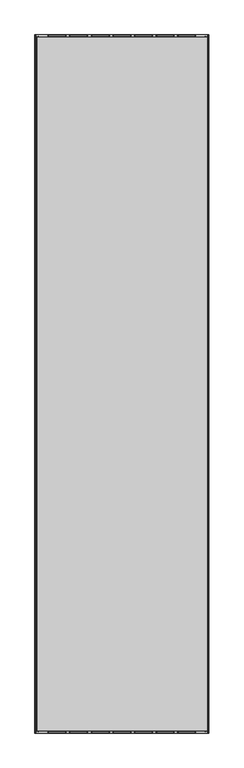
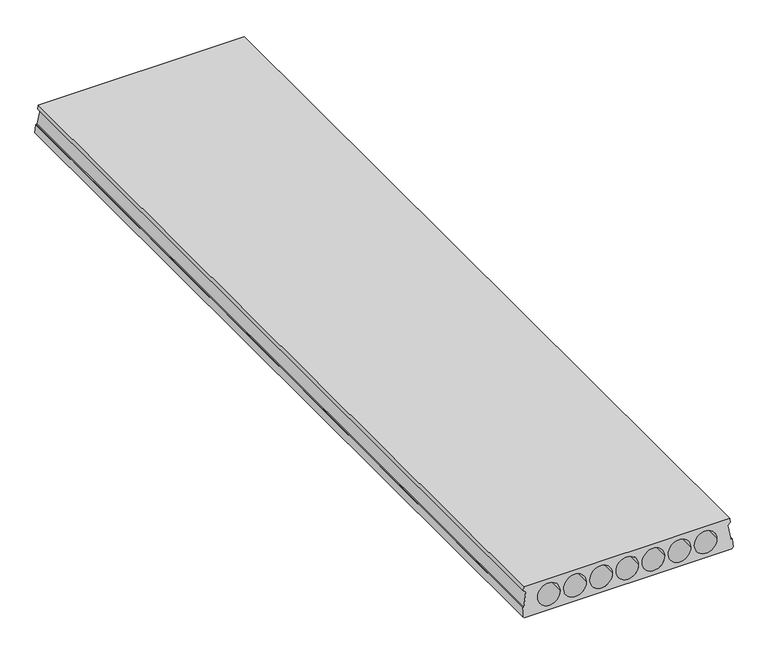
"""IFC4 building model written with IfcOpenShell, lengths in millimetres: beam geometry."""

from ifc_helpers import new_model, si_unit, frame, origin, place, context, project, spatial, polyline, ellipse_curve, source, transform, mapped, element, save
from ifc_brep_helpers import plane_surface, revolved_surface, advanced_brep


def beam_2b70656a(model_context):
    return source(origin(), model_context, "Body", "AdvancedBrep", [
        advanced_brep(
        [(10.0, 5980.0, 0.0), (1480.0, 5980.0, 0.0), (1480.0, 0.0, 0.0), (10.0, 0.0, 0.0), (1474.7696772, 15.0, 220.0), (1474.7696772, 5965.0, 220.0), (15.0, 5965.0, 220.0), (15.0, 15.0, 220.0), (12.8871596, 12.9831978, 190.4202344), (12.8871596, 5967.0168022, 190.4202344), (15.8795357, 5967.0313755, 190.2064933), (15.8795357, 12.9686245, 190.2064933), (29.9864516, 5967.9203443, 177.1682831), (29.9864516, 12.0796557, 177.1682831), (12.6021714, 5974.9446558, 74.1450488), (12.6021714, 5.0553442, 74.1450488), (7.3298897, 5975.1924012, 70.5114493), (7.3298897, 4.8075988, 70.5114493), (4.3580656, 5975.1582101, 71.0129189), (4.3580656, 4.8417899, 71.0129189), (0.0, 5979.3181818, 10.0), (0.0, 0.6818182, 10.0), (1490.0, 5979.3181818, 10.0), (1490.0, 0.6818182, 10.0), (1485.6391914, 5975.1555917, 71.051321), (1485.6391914, 4.8444083, 71.051321), (1482.4401418, 5975.1923971, 70.5115091), (1482.4401418, 4.8076029, 70.5115091), (1477.167566, 5974.9446379, 74.1453113), (1477.167566, 5.0553621, 74.1453113), (1459.9865416, 5967.9203386, 177.1683675), (1459.9865416, 12.0796614, 177.1683675), (1473.8901415, 5967.0313755, 190.2064933), (1473.8901415, 12.9686245, 190.2064933), (1476.8825176, 5967.0168022, 190.4202344), (1476.8825176, 12.9831978, 190.4202344), (269.5, 7.4401262, 109.1218503), (269.5, 5972.5598738, 109.1218503), (110.5, 5972.5598738, 109.1218503), (110.5, 7.4401262, 109.1218503), (454.5, 7.4401262, 109.1218503), (454.5, 5972.5598738, 109.1218503), (295.5, 5972.5598738, 109.1218503), (295.5, 7.4401262, 109.1218503), (480.5, 7.4401262, 109.1218503), (639.5, 7.4401262, 109.1218503), (665.5, 7.4401262, 109.1218503), (824.5, 7.4401262, 109.1218503), (850.5, 7.4401262, 109.1218503), (1009.5, 7.4401262, 109.1218503), (1035.5, 7.4401262, 109.1218503), (1194.5, 7.4401262, 109.1218503), (1220.5, 7.4401262, 109.1218503), (1379.5, 7.4401262, 109.1218503), (639.5, 5972.5598738, 109.1218503), (480.5, 5972.5598738, 109.1218503), (824.5, 5972.5598738, 109.1218503), (665.5, 5972.5598738, 109.1218503), (1009.5, 5972.5598738, 109.1218503), (850.5, 5972.5598738, 109.1218503), (1194.5, 5972.5598738, 109.1218503), (1035.5, 5972.5598738, 109.1218503), (1379.5, 5972.5598738, 109.1218503), (1220.5, 5972.5598738, 109.1218503)],
        [
            (0, 1),
            (1, 2),
            (2, 3),
            (3, 0),
            (4, 5),
            (5, 6),
            (6, 7),
            (7, 4),
            (8, 9),
            (9, 10),
            (10, 11),
            (11, 8),
            (10, 12),
            (12, 13),
            (13, 11),
            (12, 14),
            (14, 15),
            (15, 13),
            (14, 16),
            (16, 17),
            (17, 15),
            (16, 18),
            (18, 19),
            (19, 17),
            (18, 20),
            (20, 21),
            (21, 19),
            (3, 21),
            (20, 0),
            (1, 22),
            (22, 23),
            (23, 2),
            (22, 24),
            (24, 25),
            (25, 23),
            (24, 26),
            (26, 27),
            (27, 25),
            (26, 28),
            (28, 29),
            (29, 27),
            (28, 30),
            (30, 31),
            (31, 29),
            (30, 32),
            (32, 33),
            (33, 31),
            (32, 34),
            (34, 35),
            (35, 33),
            (34, 5),
            (4, 35),
            (36, 37),
            (37, 38, ellipse_curve(frame((190.0, 5972.5598738, 109.1218503), z_axis=(0.0, 0.9976836926815401, 0.0680238881373752), x_axis=(0.0, 0.06802388813737571, -0.9976836926815402)), 79.684574, 79.5)),
            (38, 39),
            (39, 36, ellipse_curve(frame((190.0, 7.4401262, 109.1218503), z_axis=(0.0, -0.9976836926815401, 0.06802388813737582), x_axis=(0.0, 0.06802388813737509, 0.9976836926815403)), 79.684574, 79.5)),
            (38, 37, ellipse_curve(frame((190.0, 5972.5598738, 109.1218503), z_axis=(0.0, 0.9976836926815401, 0.0680238881373752), x_axis=(0.0, 0.06802388813737571, -0.9976836926815402)), 79.684574, 79.5)),
            (36, 39, ellipse_curve(frame((190.0, 7.4401262, 109.1218503), z_axis=(0.0, -0.9976836926815401, 0.06802388813737582), x_axis=(0.0, 0.06802388813737509, 0.9976836926815403)), 79.684574, 79.5)),
            (40, 41),
            (41, 42, ellipse_curve(frame((375.0, 5972.5598738, 109.1218503), z_axis=(0.0, 0.9976836926815401, 0.0680238881373752), x_axis=(0.0, 0.06802388813737571, -0.9976836926815402)), 79.684574, 79.5)),
            (42, 43),
            (43, 40, ellipse_curve(frame((375.0, 7.4401262, 109.1218503), z_axis=(0.0, -0.9976836926815401, 0.06802388813737582), x_axis=(0.0, 0.06802388813737509, 0.9976836926815403)), 79.684574, 79.5)),
            (42, 41, ellipse_curve(frame((375.0, 5972.5598738, 109.1218503), z_axis=(0.0, 0.9976836926815401, 0.0680238881373752), x_axis=(0.0, 0.06802388813737571, -0.9976836926815402)), 79.684574, 79.5)),
            (40, 43, ellipse_curve(frame((375.0, 7.4401262, 109.1218503), z_axis=(0.0, -0.9976836926815401, 0.06802388813737582), x_axis=(0.0, 0.06802388813737509, 0.9976836926815403)), 79.684574, 79.5)),
            (7, 8),
            (44, 45, ellipse_curve(frame((560.0, 7.4401262, 109.1218503), z_axis=(0.0, 0.9976836926815401, -0.06802388813737582), x_axis=(0.0, 0.06802388813737509, 0.9976836926815403)), 79.684574, 79.5)),
            (45, 44, ellipse_curve(frame((560.0, 7.4401262, 109.1218503), z_axis=(0.0, 0.9976836926815401, -0.06802388813737582), x_axis=(0.0, 0.06802388813737509, 0.9976836926815403)), 79.684574, 79.5)),
            (46, 47, ellipse_curve(frame((745.0, 7.4401262, 109.1218503), z_axis=(0.0, 0.9976836926815401, -0.06802388813737582), x_axis=(0.0, 0.06802388813737509, 0.9976836926815403)), 79.684574, 79.5)),
            (47, 46, ellipse_curve(frame((745.0, 7.4401262, 109.1218503), z_axis=(0.0, 0.9976836926815401, -0.06802388813737582), x_axis=(0.0, 0.06802388813737509, 0.9976836926815403)), 79.684574, 79.5)),
            (48, 49, ellipse_curve(frame((930.0, 7.4401262, 109.1218503), z_axis=(0.0, 0.9976836926815401, -0.06802388813737582), x_axis=(0.0, 0.06802388813737509, 0.9976836926815403)), 79.684574, 79.5)),
            (49, 48, ellipse_curve(frame((930.0, 7.4401262, 109.1218503), z_axis=(0.0, 0.9976836926815401, -0.06802388813737582), x_axis=(0.0, 0.06802388813737509, 0.9976836926815403)), 79.684574, 79.5)),
            (50, 51, ellipse_curve(frame((1115.0, 7.4401262, 109.1218503), z_axis=(0.0, 0.9976836926815401, -0.06802388813737582), x_axis=(0.0, 0.06802388813737509, 0.9976836926815403)), 79.684574, 79.5)),
            (51, 50, ellipse_curve(frame((1115.0, 7.4401262, 109.1218503), z_axis=(0.0, 0.9976836926815401, -0.06802388813737582), x_axis=(0.0, 0.06802388813737509, 0.9976836926815403)), 79.684574, 79.5)),
            (52, 53, ellipse_curve(frame((1300.0, 7.4401262, 109.1218503), z_axis=(0.0, 0.9976836926815401, -0.06802388813737582), x_axis=(0.0, 0.06802388813737509, 0.9976836926815403)), 79.684574, 79.5)),
            (53, 52, ellipse_curve(frame((1300.0, 7.4401262, 109.1218503), z_axis=(0.0, 0.9976836926815401, -0.06802388813737582), x_axis=(0.0, 0.06802388813737509, 0.9976836926815403)), 79.684574, 79.5)),
            (9, 6),
            (54, 55, ellipse_curve(frame((560.0, 5972.5598738, 109.1218503), z_axis=(0.0, -0.9976836926815401, -0.0680238881373752), x_axis=(0.0, 0.06802388813737571, -0.9976836926815402)), 79.684574, 79.5)),
            (55, 54, ellipse_curve(frame((560.0, 5972.5598738, 109.1218503), z_axis=(0.0, -0.9976836926815401, -0.0680238881373752), x_axis=(0.0, 0.06802388813737571, -0.9976836926815402)), 79.684574, 79.5)),
            (56, 57, ellipse_curve(frame((745.0, 5972.5598738, 109.1218503), z_axis=(0.0, -0.9976836926815401, -0.0680238881373752), x_axis=(0.0, 0.06802388813737571, -0.9976836926815402)), 79.684574, 79.5)),
            (57, 56, ellipse_curve(frame((745.0, 5972.5598738, 109.1218503), z_axis=(0.0, -0.9976836926815401, -0.0680238881373752), x_axis=(0.0, 0.06802388813737571, -0.9976836926815402)), 79.684574, 79.5)),
            (58, 59, ellipse_curve(frame((930.0, 5972.5598738, 109.1218503), z_axis=(0.0, -0.9976836926815401, -0.0680238881373752), x_axis=(0.0, 0.06802388813737571, -0.9976836926815402)), 79.684574, 79.5)),
            (59, 58, ellipse_curve(frame((930.0, 5972.5598738, 109.1218503), z_axis=(0.0, -0.9976836926815401, -0.0680238881373752), x_axis=(0.0, 0.06802388813737571, -0.9976836926815402)), 79.684574, 79.5)),
            (60, 61, ellipse_curve(frame((1115.0, 5972.5598738, 109.1218503), z_axis=(0.0, -0.9976836926815401, -0.0680238881373752), x_axis=(0.0, 0.06802388813737571, -0.9976836926815402)), 79.684574, 79.5)),
            (61, 60, ellipse_curve(frame((1115.0, 5972.5598738, 109.1218503), z_axis=(0.0, -0.9976836926815401, -0.0680238881373752), x_axis=(0.0, 0.06802388813737571, -0.9976836926815402)), 79.684574, 79.5)),
            (62, 63, ellipse_curve(frame((1300.0, 5972.5598738, 109.1218503), z_axis=(0.0, -0.9976836926815401, -0.0680238881373752), x_axis=(0.0, 0.06802388813737571, -0.9976836926815402)), 79.684574, 79.5)),
            (63, 62, ellipse_curve(frame((1300.0, 5972.5598738, 109.1218503), z_axis=(0.0, -0.9976836926815401, -0.0680238881373752), x_axis=(0.0, 0.06802388813737571, -0.9976836926815402)), 79.684574, 79.5)),
            (45, 54),
            (55, 44),
            (47, 56),
            (57, 46),
            (49, 58),
            (59, 48),
            (51, 60),
            (61, 50),
            (53, 62),
            (63, 52),
        ],
        [
            plane_surface(frame((10.0, 5980.0, 0.0), z_axis=(0.0, 0.0, -1.0), x_axis=(0.0, -1.0, 0.0))),
            plane_surface(frame((1474.7696772, 5980.0, 220.0), z_axis=(0.0, 0.0, 1.0), x_axis=(0.0, -1.0, 0.0))),
            plane_surface(frame((12.8871596, 5980.0, 190.4202344), z_axis=(-0.07124704998790854, 0.0, -0.9974586998307351), x_axis=(0.0, -1.0, 0.0))),
            plane_surface(frame((15.8795357, 5980.0, 190.2064933), z_axis=(-0.6787421090247223, 0.0, -0.7343767081251095), x_axis=(0.0, -1.0, 0.0))),
            plane_surface(frame((29.9864516, 5980.0, 177.1682831), z_axis=(-0.986060169345494, 0.0, 0.16638912954377705), x_axis=(0.0, -1.0, 0.0))),
            plane_surface(frame((12.6021714, 5980.0, 74.1450488), z_axis=(-0.5674729108239465, 0.0, 0.8233920666857298), x_axis=(0.0, -1.0, 0.0))),
            plane_surface(frame((7.3298897, 5980.0, 70.5114493), z_axis=(0.1663891295437833, 0.0, 0.9860601693454929), x_axis=(0.0, -1.0, 0.0))),
            plane_surface(frame((4.3580656, 5980.0, 71.0129189), z_axis=(-0.9974586998307351, 0.0, 0.07124704998791023), x_axis=(0.0, -1.0, 0.0))),
            plane_surface(frame((0.0, 5980.0, 10.0), z_axis=(-0.7071067811865369, 0.0, -0.7071067811865581), x_axis=(0.0, -1.0, 0.0))),
            plane_surface(frame((1480.0, 5980.0, 0.0), z_axis=(0.7071067811866409, 0.0, -0.7071067811864542), x_axis=(0.0, -1.0, 0.0))),
            plane_surface(frame((1490.0, 5980.0, 10.0), z_axis=(0.9974586998307335, 0.0, 0.07124704998793074), x_axis=(0.0, -1.0, 0.0))),
            plane_surface(frame((1485.6391914, 5980.0, 71.051321), z_axis=(-0.16638912954377913, 0.0, 0.9860601693454937), x_axis=(0.0, -1.0, 0.0))),
            plane_surface(frame((1482.4401418, 5980.0, 70.5115091), z_axis=(0.5674729108239595, 0.0, 0.8233920666857208), x_axis=(0.0, -1.0, 0.0))),
            plane_surface(frame((1477.167566, 5980.0, 74.1453113), z_axis=(0.9863775932866565, 0.0, 0.16449694058560207), x_axis=(0.0, -1.0, 0.0))),
            plane_surface(frame((1459.9865416, 5980.0, 177.1683675), z_axis=(0.6840388775846207, 0.0, -0.729445552425109), x_axis=(0.0, -1.0, 0.0))),
            plane_surface(frame((1473.8901415, 5980.0, 190.2064933), z_axis=(0.07124704998787597, 0.0, -0.9974586998307374), x_axis=(0.0, -1.0, 0.0))),
            plane_surface(frame((1476.8825176, 5980.0, 190.4202344), z_axis=(0.9974586998307367, 0.0, 0.07124704998788751), x_axis=(0.0, -1.0, 0.0))),
            revolved_surface(polyline([(269.5, 5977.9803283480505, 109.1218503), (269.5, 2.0196716519496123, 109.1218503)]), (190.0, 0.0, 109.1218503), (0.0, 1.0, 0.0)),
            revolved_surface(polyline([(454.5, 5977.9803283480505, 109.1218503), (454.5, 2.0196716519496123, 109.1218503)]), (375.0, 0.0, 109.1218503), (0.0, 1.0, 0.0)),
            plane_surface(frame((1490.0, 15.0, 220.0), z_axis=(0.0, -0.9976836926815401, 0.06802388813737582), x_axis=(-1.0, 0.0, 0.0))),
            plane_surface(frame((1490.0, 5980.0, 0.0), z_axis=(0.0, 0.9976836926815401, 0.0680238881373752), x_axis=(-1.0, 0.0, 0.0))),
            revolved_surface(polyline([(639.5, 5977.9803283480505, 109.1218503), (639.5, 2.0196716519496123, 109.1218503)]), (560.0, 0.0, 109.1218503), (0.0, 1.0, 0.0)),
            plane_surface(frame((15.0, 5980.0, 220.0), z_axis=(-0.997458699830735, 0.0, 0.07124704998791008), x_axis=(0.0, -1.0, 0.0))),
            revolved_surface(polyline([(824.5, 5977.9803283480505, 109.1218503), (824.5, 2.0196716519496123, 109.1218503)]), (745.0, 0.0, 109.1218503), (0.0, 1.0, 0.0)),
            revolved_surface(polyline([(1009.5, 5977.9803283480505, 109.1218503), (1009.5, 2.0196716519496123, 109.1218503)]), (930.0, 0.0, 109.1218503), (0.0, 1.0, 0.0)),
            revolved_surface(polyline([(1194.5, 5977.9803283480505, 109.1218503), (1194.5, 2.0196716519496123, 109.1218503)]), (1115.0, 0.0, 109.1218503), (0.0, 1.0, 0.0)),
            revolved_surface(polyline([(1379.5, 5977.9803283480505, 109.1218503), (1379.5, 2.0196716519496123, 109.1218503)]), (1300.0, 0.0, 109.1218503), (0.0, 1.0, 0.0)),
        ],
        [
            (0, [[1, 2, 3, 4]]),
            (1, [[5, 6, 7, 8]]),
            (2, [[9, 10, 11, 12]]),
            (3, [[-11, 13, 14, 15]]),
            (4, [[-14, 16, 17, 18]]),
            (5, [[-17, 19, 20, 21]]),
            (6, [[-20, 22, 23, 24]]),
            (7, [[-23, 25, 26, 27]]),
            (8, [[28, -26, 29, -4]]),
            (9, [[30, 31, 32, -2]]),
            (10, [[-31, 33, 34, 35]]),
            (11, [[-34, 36, 37, 38]]),
            (12, [[-37, 39, 40, 41]]),
            (13, [[-40, 42, 43, 44]]),
            (14, [[-43, 45, 46, 47]]),
            (15, [[-46, 48, 49, 50]]),
            (16, [[-49, 51, -5, 52]]),
            (17, [[53, 54, 55, 56]]),
            (17, [[-55, 57, -53, 58]]),
            (18, [[59, 60, 61, 62]]),
            (18, [[-61, 63, -59, 64]]),
            (19, [[-32, -35, -38, -41, -44, -47, -50, -52, -8, 65, -12, -15, -18, -21, -24, -27, -28, -3], [-58, -56], [-64, -62], [66, 67], [68, 69], [70, 71], [72, 73], [74, 75]]),
            (20, [[-29, -25, -22, -19, -16, -13, -10, 76, -6, -51, -48, -45, -42, -39, -36, -33, -30, -1], [-57, -54], [-63, -60], [77, 78], [79, 80], [81, 82], [83, 84], [85, 86]]),
            (21, [[-67, 87, -78, 88]]),
            (21, [[-77, -87, -66, -88]]),
            (22, [[-7, -76, -9, -65]]),
            (23, [[-69, 89, -80, 90]]),
            (23, [[-79, -89, -68, -90]]),
            (24, [[-71, 91, -82, 92]]),
            (24, [[-81, -91, -70, -92]]),
            (25, [[-73, 93, -84, 94]]),
            (25, [[-83, -93, -72, -94]]),
            (26, [[-75, 95, -86, 96]]),
            (26, [[-85, -95, -74, -96]]),
        ],
    ),
    ])


if __name__ == "__main__":
    model = new_model("IFC4")
    model_context = context("Model", 3, world=origin())
    ifc_project = project(units=[si_unit("LENGTHUNIT", "METRE", prefix="MILLI")], contexts=[model_context])
    site = spatial("IfcSite", under=ifc_project)
    building = spatial("IfcBuilding", under=site)
    placement = place(None, origin())
    beam_shape = beam_2b70656a(model_context)
    element("IfcBeam", 1, at=placement, inside=building, context=model_context, shape_type="MappedRepresentation", body=[
        mapped(beam_shape, transform((0.0, 0.0, 0.0), x_axis=(1.0, 0.0, 0.0), y_axis=(0.0, 1.0, 0.0), z_axis=(0.0, 0.0, 1.0))),
    ])
    save(model, "model.ifc")
